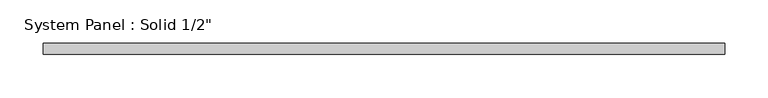
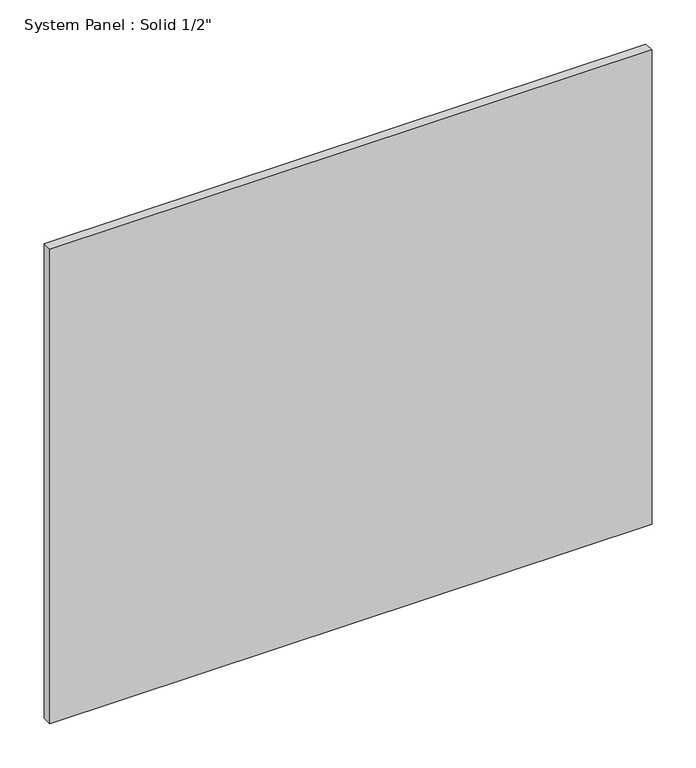
"""IFC4 building model written with IfcOpenShell, lengths in millimetres: plate geometry."""

from ifc_helpers import new_model, si_unit, origin, origin_with_axes, place, context, project, spatial, polyline, outline, extrude, source, transform, mapped, element, save


def plate_ec7680d6(model_context):
    return source(origin(), model_context, "Body", "SweptSolid", [
        extrude(outline(polyline([(392.6416667, -6.35), (-392.6416667, -6.35), (-392.6416667, 6.35), (392.6416667, 6.35), (392.6416667, -6.35)])), origin_with_axes(), (0.0, 0.0, 1.0), 654.05),
    ])


if __name__ == "__main__":
    model = new_model("IFC4")
    model_context = context("Model", 3, world=origin())
    ifc_project = project(units=[si_unit("LENGTHUNIT", "METRE", prefix="MILLI")], contexts=[model_context])
    site = spatial("IfcSite", under=ifc_project)
    building = spatial("IfcBuilding", under=site)
    placement = place(None, origin())
    plate_shape = plate_ec7680d6(model_context)
    element("IfcPlate", 1, ObjectType="System Panel : Solid 1/2\"", at=placement, inside=building, context=model_context, shape_type="MappedRepresentation", body=[
        mapped(plate_shape, transform((0.0, 0.0, 0.0), x_axis=(1.0, 0.0, 0.0), y_axis=(0.0, 1.0, 0.0), z_axis=(0.0, 0.0, 1.0))),
    ])
    save(model, "model.ifc")
